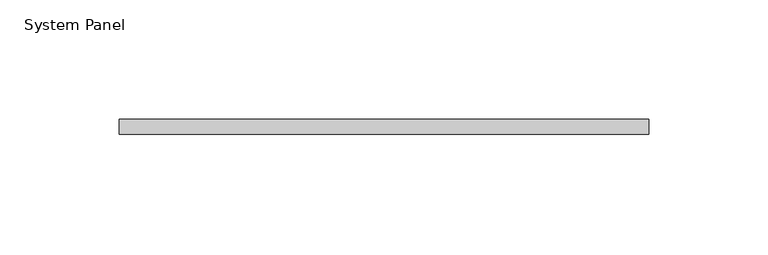
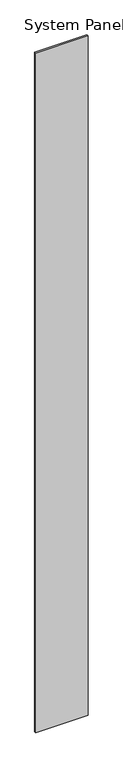
"""IFC4 building model written with IfcOpenShell, lengths in millimetres: plate geometry, System Panel."""

from ifc_helpers import new_model, si_unit, origin, origin_with_axes, place, context, project, spatial, polyline, outline, extrude, source, transform, mapped, element, save


def system_panel_d85cfb8d(model_context):
    return source(origin(), model_context, "Body", "SweptSolid", [
        extrude(outline(polyline([(111.125, -6.35), (-111.125, -6.35), (-111.125, 0.0), (111.125, 0.0), (111.125, -6.35)])), origin_with_axes(), (0.0, 0.0, 1.0), 3048.0),
    ])


if __name__ == "__main__":
    model = new_model("IFC4")
    model_context = context("Model", 3, world=origin())
    ifc_project = project(units=[si_unit("LENGTHUNIT", "METRE", prefix="MILLI")], contexts=[model_context])
    site = spatial("IfcSite", under=ifc_project)
    building = spatial("IfcBuilding", under=site)
    placement = place(None, origin())
    system_panel_shape = system_panel_d85cfb8d(model_context)
    element("IfcPlate", 1, ObjectType="System Panel", at=placement, inside=building, context=model_context, shape_type="MappedRepresentation", body=[
        mapped(system_panel_shape, transform((0.0, 0.0, 0.0), x_axis=(1.0, 0.0, 0.0), y_axis=(0.0, 1.0, 0.0), z_axis=(0.0, 0.0, 1.0))),
    ])
    save(model, "model.ifc")
